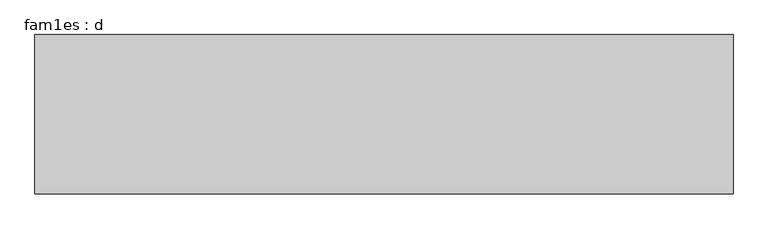
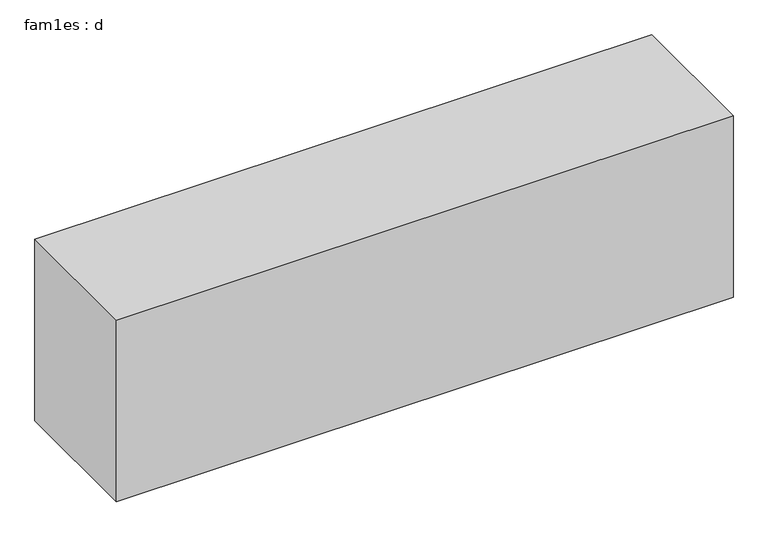
"""IFC4 building model written with IfcOpenShell, lengths in millimetres: proxy geometry, fam1es : d."""

from ifc_helpers import new_model, si_unit, frame, origin, place, context, project, spatial, polyline, outline, extrude, source, transform, mapped, element, save


def fam1es_d_d413ad25(model_context):
    return source(origin(), model_context, "Body", "SweptSolid", [
        extrude(outline(polyline([(35000.0, 8000.0), (35000.0, 0.0), (0.0, 0.0), (0.0, 8000.0), (35000.0, 8000.0)])), frame((0.0, 0.0, -900.0), z_axis=(0.0, 0.0, 1.0), x_axis=(1.0, 0.0, 0.0)), (0.0, 0.0, 1.0), 10900.0),
    ])


if __name__ == "__main__":
    model = new_model("IFC4")
    model_context = context("Model", 3, world=origin())
    ifc_project = project(units=[si_unit("LENGTHUNIT", "METRE", prefix="MILLI")], contexts=[model_context])
    site = spatial("IfcSite", under=ifc_project)
    building = spatial("IfcBuilding", under=site)
    placement = place(None, origin())
    fam1es_d_shape = fam1es_d_d413ad25(model_context)
    element("IfcBuildingElementProxy", 1, Name="fam1es : d", ObjectType="fam1es : d", at=placement, inside=building, context=model_context, shape_type="MappedRepresentation", body=[
        mapped(fam1es_d_shape, transform((0.0, 0.0, 0.0), x_axis=(1.0, 0.0, 0.0), y_axis=(0.0, 1.0, 0.0), z_axis=(0.0, 0.0, 1.0))),
    ])
    save(model, "model.ifc")
